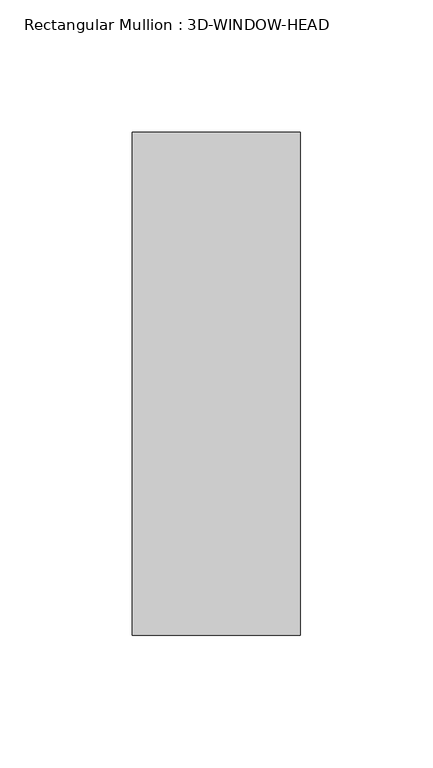
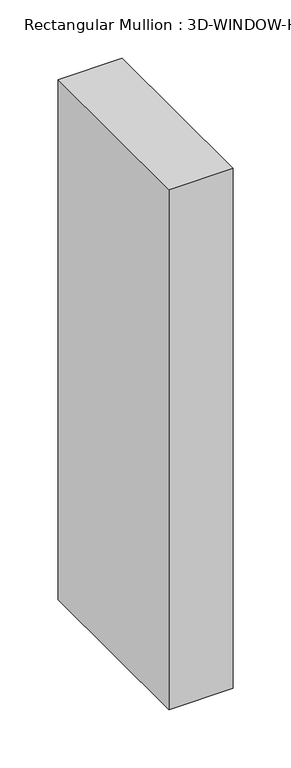
"""IFC4 building model written with IfcOpenShell, lengths in millimetres: member geometry, Rectangular Mullion : 3D-WINDOW-HEAD."""

from ifc_helpers import new_model, si_unit, frame, origin, place, context, project, spatial, polyline, outline, extrude, source, transform, mapped, element, save


def rectangular_mullion_3d_window_head_71093784(model_context):
    return source(origin(), model_context, "Body", "SweptSolid", [
        extrude(outline(polyline([(31.75, 94.996), (31.75, -94.996), (-31.75, -94.996), (-31.75, 94.996), (31.75, 94.996)])), frame((0.0, 0.0, -544.6009029), z_axis=(0.0, 0.0, 1.0), x_axis=(1.0, 0.0, 0.0)), (0.0, 0.0, 1.0), 544.6009029),
    ])


if __name__ == "__main__":
    model = new_model("IFC4")
    model_context = context("Model", 3, world=origin())
    ifc_project = project(units=[si_unit("LENGTHUNIT", "METRE", prefix="MILLI")], contexts=[model_context])
    site = spatial("IfcSite", under=ifc_project)
    building = spatial("IfcBuilding", under=site)
    placement = place(None, origin())
    rectangular_mullion_3d_window_head_shape = rectangular_mullion_3d_window_head_71093784(model_context)
    element("IfcMember", 1, ObjectType="Rectangular Mullion : 3D-WINDOW-HEAD", at=placement, inside=building, context=model_context, shape_type="MappedRepresentation", body=[
        mapped(rectangular_mullion_3d_window_head_shape, transform((0.0, 0.0, 0.0), x_axis=(1.0, 0.0, 0.0), y_axis=(0.0, 1.0, 0.0), z_axis=(0.0, 0.0, 1.0))),
    ])
    save(model, "model.ifc")
